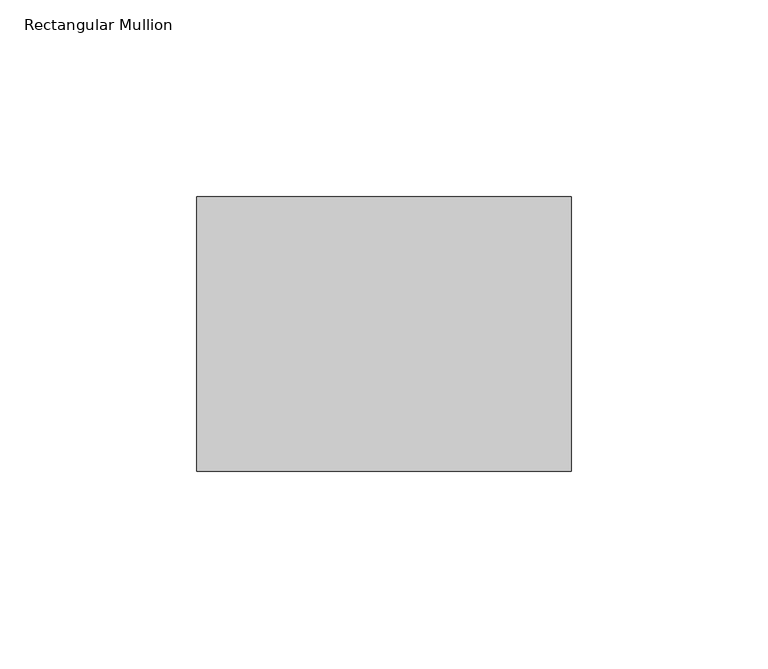
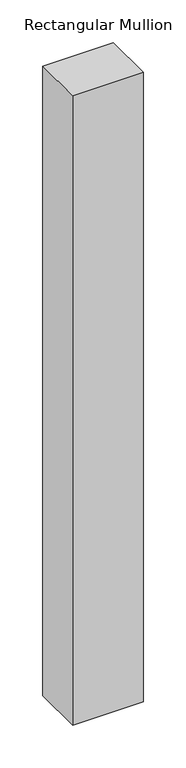
"""IFC4 building model written with IfcOpenShell, lengths in millimetres: member geometry, Rectangular Mullion."""

from ifc_helpers import new_model, si_unit, frame, origin, place, context, project, spatial, polyline, outline, extrude, source, transform, mapped, element, save


def rectangular_mullion_d958f936(model_context):
    return source(origin(), model_context, "Body", "SweptSolid", [
        extrude(outline(polyline([(0.0, 34.925), (0.0, -34.925), (-95.25, -34.925), (-95.25, 34.925), (0.0, 34.925)])), frame((0.0, 0.0, -898.525), z_axis=(0.0, 0.0, 1.0), x_axis=(1.0, 0.0, 0.0)), (0.0, 0.0, 1.0), 898.525),
    ])


if __name__ == "__main__":
    model = new_model("IFC4")
    model_context = context("Model", 3, world=origin())
    ifc_project = project(units=[si_unit("LENGTHUNIT", "METRE", prefix="MILLI")], contexts=[model_context])
    site = spatial("IfcSite", under=ifc_project)
    building = spatial("IfcBuilding", under=site)
    placement = place(None, origin())
    rectangular_mullion_shape = rectangular_mullion_d958f936(model_context)
    element("IfcMember", 1, ObjectType="Rectangular Mullion", at=placement, inside=building, context=model_context, shape_type="MappedRepresentation", body=[
        mapped(rectangular_mullion_shape, transform((0.0, 0.0, 0.0), x_axis=(1.0, 0.0, 0.0), y_axis=(0.0, 1.0, 0.0), z_axis=(0.0, 0.0, 1.0))),
    ])
    save(model, "model.ifc")
